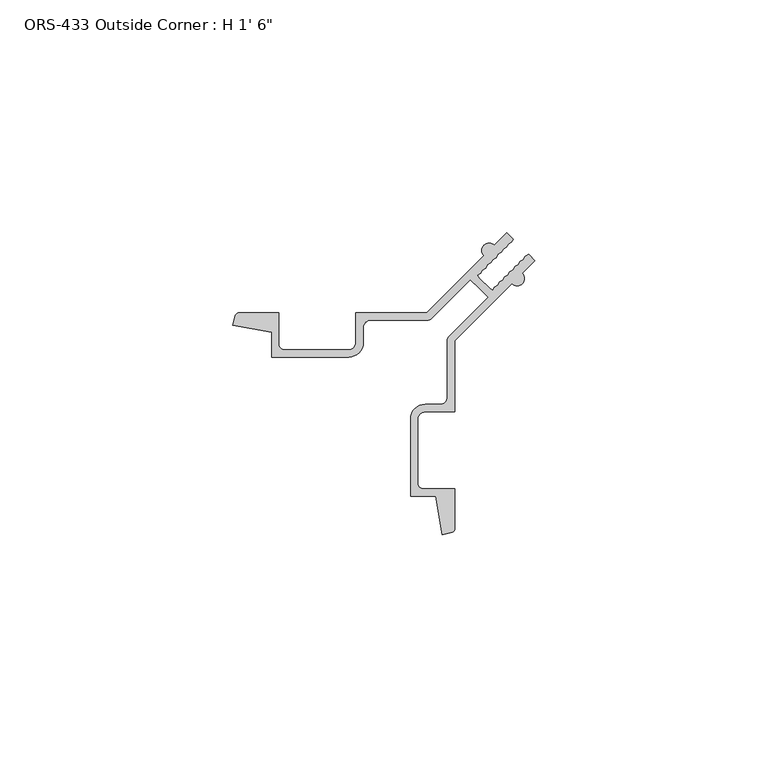
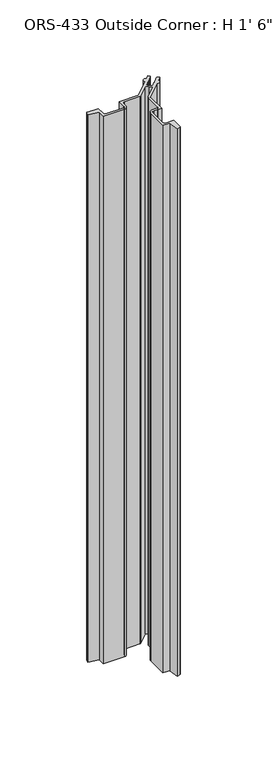
"""IFC4 building model written with IfcOpenShell, lengths in millimetres: proxy geometry."""

from ifc_helpers import new_model, si_unit, point, frame_2d, origin, origin_with_axes, place, context, project, spatial, polyline, circle_curve, trimmed, segment, composite_curve, outline, extrude, source, transform, mapped, element, save


def proxy_bdf2cafa(model_context):
    return source(origin(), model_context, "Body", "SweptSolid", [
        extrude(outline(composite_curve([segment(trimmed(circle_curve(frame_2d((31.435154, 37.4547553)), 1.5748), [point((30.3216023, 36.3412035))], [point((32.5487058, 38.5683071))], False, "CARTESIAN"), True, "CONTINUOUS"), segment(polyline([(32.5487058, 38.5683071), (35.2517629, 41.2713642), (36.6194832, 39.9036438), (36.2239169, 39.2091421), (35.5166283, 38.8007889), (35.121062, 38.1062872), (34.4399047, 37.7240653), (34.0476129, 37.0445958), (33.3281209, 36.6122814), (32.9325545, 35.9177798), (32.1836048, 35.4677654), (31.7880385, 34.7732637), (31.0836065, 34.3677671), (30.6880402, 33.6732654), (29.9836082, 33.2677688), (29.5880419, 32.5732671), (28.9053422, 32.1895028), (29.3381883, 31.5233721), (31.5195919, 29.3419685), (32.1857226, 28.9091224), (32.5694869, 29.5918221), (33.2639886, 29.9873884), (33.6694852, 30.6918204), (34.3639869, 31.0873867), (34.7694835, 31.7918187), (35.4639852, 32.187385), (35.9139996, 32.9363347), (36.6085012, 33.3319011), (37.0257937, 34.0263924), (37.7202851, 34.4436849), (38.102507, 35.1248422), (38.7970087, 35.5204085), (39.2053619, 36.2276971), (39.8998636, 36.6232635), (41.267584, 35.2555431), (38.5645269, 32.552486)]), True, "CONTINUOUS"), segment(trimmed(circle_curve(frame_2d((37.4509751, 31.4389342)), 1.5748), [point((38.5645269, 32.552486))], [point((36.3374233, 30.3253825))], False, "CARTESIAN"), True, "CONTINUOUS"), segment(polyline([(36.3374233, 30.3253825), (24.0572913, 18.0452505), (24.0572913, 2.7798505), (17.6945913, 2.7798505)]), True, "CONTINUOUS"), segment(trimmed(circle_curve(frame_2d((17.6945913, 1.1923505)), 1.5875), [point((17.6945913, 2.7798505))], [point((16.1070913, 1.1923505))], True, "CARTESIAN"), True, "CONTINUOUS"), segment(polyline([(16.1070913, 1.1923505), (16.1070913, -12.4601495)]), True, "CONTINUOUS"), segment(trimmed(circle_curve(frame_2d((17.3770913, -12.4601495)), 1.27), [point((16.1070913, -12.4601495))], [point((17.3770913, -13.7301495))], True, "CARTESIAN"), True, "CONTINUOUS"), segment(polyline([(17.3770913, -13.7301495), (24.0572913, -13.7301495), (24.0572913, -22.2905014)]), True, "CONTINUOUS"), segment(trimmed(circle_curve(frame_2d((23.2622713, -22.2905014)), 0.79502), [point((24.0572913, -22.2905014))], [point((23.4936921, -23.0510941))], False, "CARTESIAN"), True, "CONTINUOUS"), segment(trimmed(circle_curve(frame_2d((12.6346619, 12.6384421)), 37.30498), [point((23.4936921, -23.0510941))], [point((21.3511424, -23.6339234))], False, "CARTESIAN"), True, "CONTINUOUS"), segment(polyline([(21.3511424, -23.6339234), (19.9249483, -15.3049495), (14.5572749, -15.3049495), (14.5572749, 1.2882181)]), True, "CONTINUOUS"), segment(trimmed(circle_curve(frame_2d((17.6820995, 1.2882181)), 3.1248246), [point((14.5572749, 1.2882181))], [point((17.6820995, 4.4130427))], False, "CARTESIAN"), True, "CONTINUOUS"), segment(polyline([(17.6820995, 4.4130427), (20.8941469, 4.4130427)]), True, "CONTINUOUS"), segment(trimmed(circle_curve(frame_2d((20.8941469, 5.9779849)), 1.5649422), [point((20.8941469, 4.4130427))], [point((22.4590891, 5.9779849))], True, "CARTESIAN"), True, "CONTINUOUS"), segment(polyline([(22.4590891, 5.9779849), (22.4590891, 18.0254304)]), True, "CONTINUOUS"), segment(trimmed(circle_curve(frame_2d((24.0517137, 18.0254304)), 1.5926245), [point((22.4590891, 18.0254304))], [point((22.927422, 19.1534469))], False, "CARTESIAN"), True, "CONTINUOUS"), segment(polyline([(22.927422, 19.1534469), (31.209192, 27.4244429), (29.3161603, 29.3199405), (27.4206627, 31.2129722), (19.1496667, 22.9312022)]), True, "CONTINUOUS"), segment(trimmed(circle_curve(frame_2d((18.0216502, 24.0554939)), 1.5926245), [point((19.1496667, 22.9312022))], [point((18.0216502, 22.4628693))], False, "CARTESIAN"), True, "CONTINUOUS"), segment(polyline([(18.0216502, 22.4628693), (5.9742047, 22.4628693)]), True, "CONTINUOUS"), segment(trimmed(circle_curve(frame_2d((5.9742047, 20.8979271)), 1.5649422), [point((5.9742047, 22.4628693))], [point((4.4092625, 20.8979271))], True, "CARTESIAN"), True, "CONTINUOUS"), segment(polyline([(4.4092625, 20.8979271), (4.4092625, 17.6858797)]), True, "CONTINUOUS"), segment(trimmed(circle_curve(frame_2d((1.2844379, 17.6858797)), 3.1248246), [point((4.4092625, 17.6858797))], [point((1.2844379, 14.5610551))], False, "CARTESIAN"), True, "CONTINUOUS"), segment(polyline([(1.2844379, 14.5610551), (-15.3087297, 14.5610551), (-15.3087297, 19.9287285), (-23.6377036, 21.3549227)]), True, "CONTINUOUS"), segment(trimmed(circle_curve(frame_2d((12.6346619, 12.6384421)), 37.30498), [point((-23.6377036, 21.3549227))], [point((-23.0548743, 23.4974723))], False, "CARTESIAN"), True, "CONTINUOUS"), segment(trimmed(circle_curve(frame_2d((-22.2942816, 23.2660515)), 0.79502), [point((-23.0548743, 23.4974723))], [point((-22.2942816, 24.0610715))], False, "CARTESIAN"), True, "CONTINUOUS"), segment(polyline([(-22.2942816, 24.0610715), (-13.7339297, 24.0610715), (-13.7339297, 17.3808715)]), True, "CONTINUOUS"), segment(trimmed(circle_curve(frame_2d((-12.4639297, 17.3808715)), 1.27), [point((-13.7339297, 17.3808715))], [point((-12.4639297, 16.1108715))], True, "CARTESIAN"), True, "CONTINUOUS"), segment(polyline([(-12.4639297, 16.1108715), (1.1885703, 16.1108715)]), True, "CONTINUOUS"), segment(trimmed(circle_curve(frame_2d((1.1885703, 17.6983715)), 1.5875), [point((1.1885703, 16.1108715))], [point((2.7760703, 17.6983715))], True, "CARTESIAN"), True, "CONTINUOUS"), segment(polyline([(2.7760703, 17.6983715), (2.7760703, 24.0610715), (18.0414703, 24.0610715), (30.3216023, 36.3412035)]), True, "CONTINUOUS")], self_intersect=False)), origin_with_axes(), (0.0, 0.0, 1.0), 457.2),
    ])


if __name__ == "__main__":
    model = new_model("IFC4")
    model_context = context("Model", 3, world=origin())
    ifc_project = project(units=[si_unit("LENGTHUNIT", "METRE", prefix="MILLI")], contexts=[model_context])
    site = spatial("IfcSite", under=ifc_project)
    building = spatial("IfcBuilding", under=site)
    placement = place(None, origin())
    proxy_shape = proxy_bdf2cafa(model_context)
    element("IfcBuildingElementProxy", 1, Name="ORS-433 Outside Corner : H 1' 6\"", ObjectType="ORS-433 Outside Corner : H 1' 6\"", at=placement, inside=building, context=model_context, shape_type="MappedRepresentation", body=[
        mapped(proxy_shape, transform((0.0, 0.0, 0.0), x_axis=(1.0, 0.0, 0.0), y_axis=(0.0, 1.0, 0.0), z_axis=(0.0, 0.0, 1.0))),
    ])
    save(model, "model.ifc")
